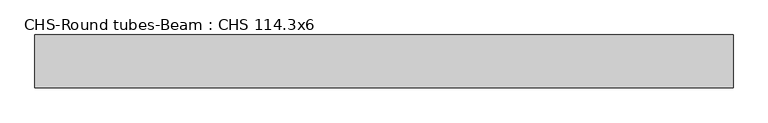
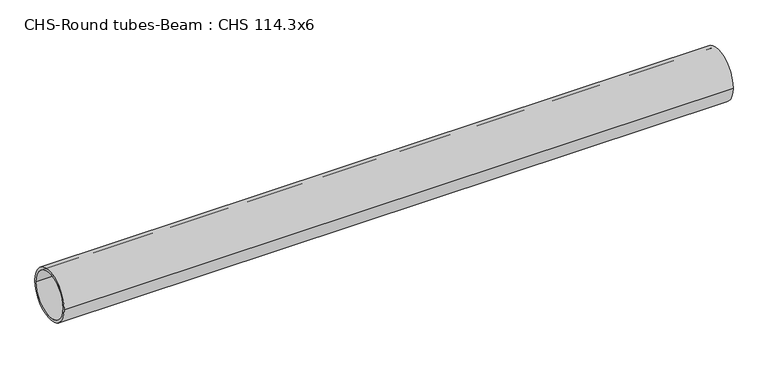
"""IFC4 building model written with IfcOpenShell, lengths in millimetres: beam geometry, CHS-Round tubes-Beam : CHS 114.3x6."""

from ifc_helpers import new_model, si_unit, point, frame, origin, origin_2d, place, context, project, spatial, circle_curve, trimmed, segment, composite_curve, outline, extrude, source, transform, mapped, element, save


def chs_round_tubes_beam_chs_114_3x6_0accb643(model_context):
    return source(origin(), model_context, "Body", "SweptSolid", [
        extrude(outline(composite_curve([segment(trimmed(circle_curve(origin_2d(), 57.15), [point((57.15, 0.0))], [point((-57.15, 0.0))], False, "CARTESIAN"), True, "CONTINUOUS"), segment(trimmed(circle_curve(origin_2d(), 57.15), [point((-57.15, 0.0))], [point((57.15, 0.0))], False, "CARTESIAN"), True, "CONTINUOUS")], self_intersect=False), holes=[composite_curve([segment(trimmed(circle_curve(origin_2d(), 51.15), [point((51.15, 0.0))], [point((-51.15, 0.0))], True, "CARTESIAN"), True, "CONTINUOUS"), segment(trimmed(circle_curve(origin_2d(), 51.15), [point((-51.15, 0.0))], [point((51.15, 0.0))], True, "CARTESIAN"), True, "CONTINUOUS")], self_intersect=False)]), frame((-744.0428421, 0.0, 0.0), z_axis=(1.0, 0.0, 0.0), x_axis=(0.0, 1.0, 0.0)), (0.0, 0.0, 1.0), 1503.6861115),
    ])


if __name__ == "__main__":
    model = new_model("IFC4")
    model_context = context("Model", 3, world=origin())
    ifc_project = project(units=[si_unit("LENGTHUNIT", "METRE", prefix="MILLI")], contexts=[model_context])
    site = spatial("IfcSite", under=ifc_project)
    building = spatial("IfcBuilding", under=site)
    placement = place(None, origin())
    chs_round_tubes_beam_chs_114_3x6_shape = chs_round_tubes_beam_chs_114_3x6_0accb643(model_context)
    element("IfcBeam", 1, ObjectType="CHS-Round tubes-Beam : CHS 114.3x6", at=placement, inside=building, context=model_context, shape_type="MappedRepresentation", body=[
        mapped(chs_round_tubes_beam_chs_114_3x6_shape, transform((0.0, 0.0, 0.0), x_axis=(1.0, 0.0, 0.0), y_axis=(0.0, 1.0, 0.0), z_axis=(0.0, 0.0, 1.0))),
    ])
    save(model, "model.ifc")
